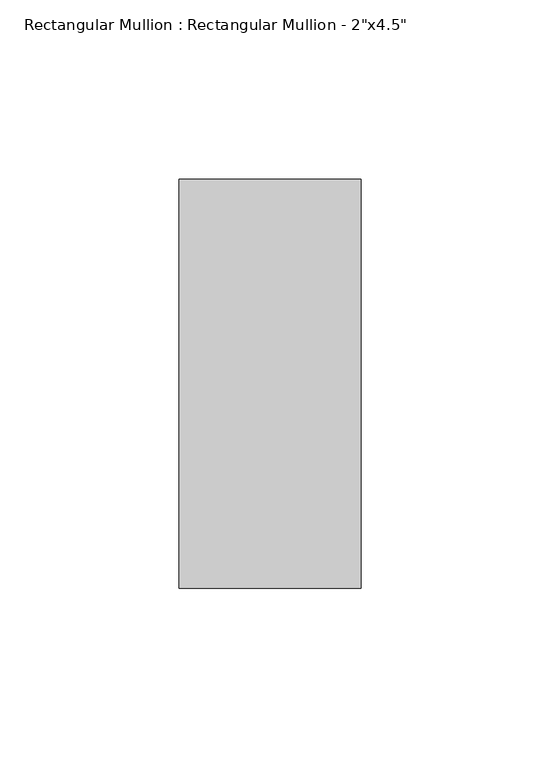
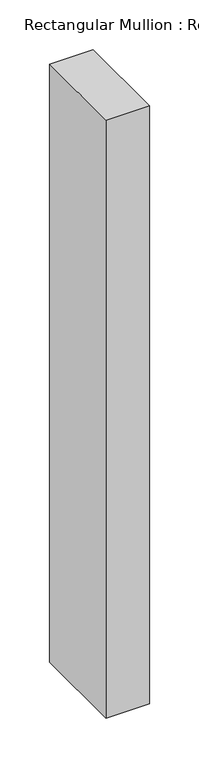
"""IFC4 building model written with IfcOpenShell, lengths in millimetres: member geometry."""

from ifc_helpers import new_model, si_unit, frame, origin, place, context, project, spatial, polyline, outline, extrude, source, transform, mapped, element, save


def member_5f1641b6(model_context):
    return source(origin(), model_context, "Body", "SweptSolid", [
        extrude(outline(polyline([(0.0, 57.15), (0.0, -57.15), (-50.8, -57.15), (-50.8, 57.15), (0.0, 57.15)])), frame((0.0, 0.0, -736.6), z_axis=(0.0, 0.0, 1.0), x_axis=(1.0, 0.0, 0.0)), (0.0, 0.0, 1.0), 736.6),
    ])


if __name__ == "__main__":
    model = new_model("IFC4")
    model_context = context("Model", 3, world=origin())
    ifc_project = project(units=[si_unit("LENGTHUNIT", "METRE", prefix="MILLI")], contexts=[model_context])
    site = spatial("IfcSite", under=ifc_project)
    building = spatial("IfcBuilding", under=site)
    placement = place(None, origin())
    member_shape = member_5f1641b6(model_context)
    element("IfcMember", 1, ObjectType="Rectangular Mullion : Rectangular Mullion - 2\"x4.5\"", at=placement, inside=building, context=model_context, shape_type="MappedRepresentation", body=[
        mapped(member_shape, transform((0.0, 0.0, 0.0), x_axis=(1.0, 0.0, 0.0), y_axis=(0.0, 1.0, 0.0), z_axis=(0.0, 0.0, 1.0))),
    ])
    save(model, "model.ifc")
